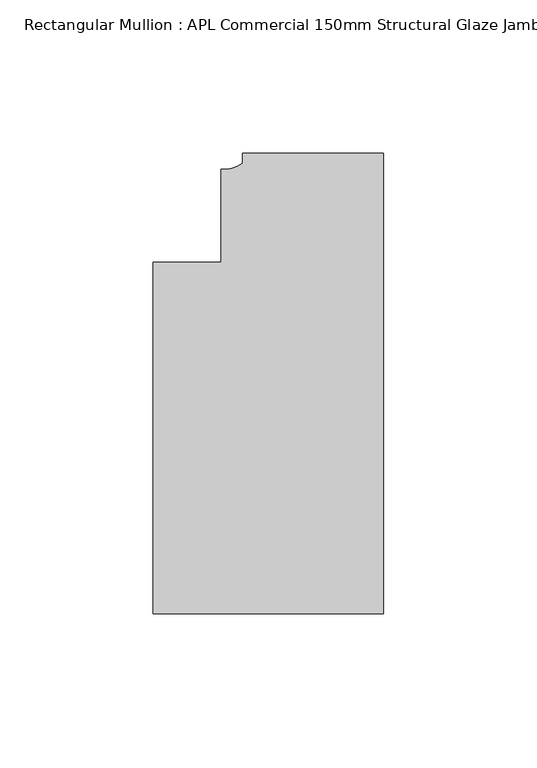
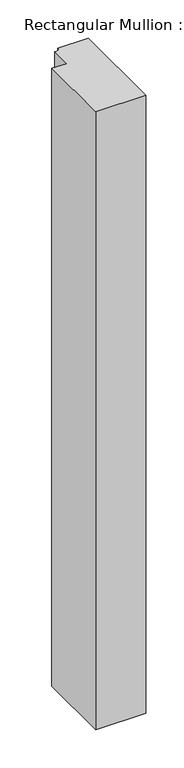
"""IFC4 building model written with IfcOpenShell, lengths in millimetres: member geometry, Rectangular Mullion : APL Commercial 150mm Structural Glaze Jamb Frame (left)."""

from ifc_helpers import new_model, si_unit, point, frame, frame_2d, origin, place, context, project, spatial, polyline, circle_curve, trimmed, segment, composite_curve, outline, extrude, source, transform, mapped, element, save


def rectangular_mullion_apl_commercial_150mm_structural_glaze_a697d64c(model_context):
    return source(origin(), model_context, "Body", "SweptSolid", [
        extrude(outline(composite_curve([segment(polyline([(0.0, 20.5), (0.0, -129.4999988), (-75.0, -129.4999988), (-75.0, -15.0000829), (-52.9999391, -15.0000829), (-52.9999391, 15.3797475)]), True, "CONTINUOUS"), segment(trimmed(circle_curve(frame_2d((-52.1098019, 25.7981812)), 10.4563907), [point((-52.9999391, 15.3797475))], [point((-45.9999842, 17.3125325))], True, "CARTESIAN"), True, "CONTINUOUS"), segment(polyline([(-45.9999842, 17.3125325), (-45.9999842, 20.5), (0.0, 20.5)]), True, "CONTINUOUS")], self_intersect=False)), frame((0.0, 0.0, -983.6621216), z_axis=(0.0, 0.0, 1.0), x_axis=(1.0, 0.0, 0.0)), (0.0, 0.0, 1.0), 983.6621216),
    ])


if __name__ == "__main__":
    model = new_model("IFC4")
    model_context = context("Model", 3, world=origin())
    ifc_project = project(units=[si_unit("LENGTHUNIT", "METRE", prefix="MILLI")], contexts=[model_context])
    site = spatial("IfcSite", under=ifc_project)
    building = spatial("IfcBuilding", under=site)
    placement = place(None, origin())
    rectangular_mullion_apl_commercial_150mm_structural_glaze_shape = rectangular_mullion_apl_commercial_150mm_structural_glaze_a697d64c(model_context)
    element("IfcMember", 1, ObjectType="Rectangular Mullion : APL Commercial 150mm Structural Glaze Jamb Frame (left)", at=placement, inside=building, context=model_context, shape_type="MappedRepresentation", body=[
        mapped(rectangular_mullion_apl_commercial_150mm_structural_glaze_shape, transform((0.0, 0.0, 0.0), x_axis=(1.0, 0.0, 0.0), y_axis=(0.0, 1.0, 0.0), z_axis=(0.0, 0.0, 1.0))),
    ])
    save(model, "model.ifc")
